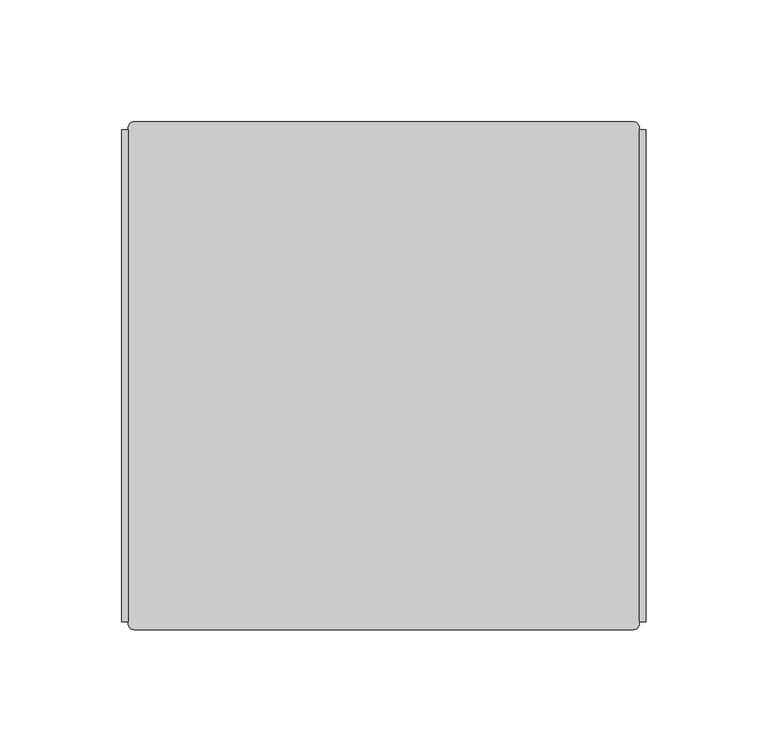
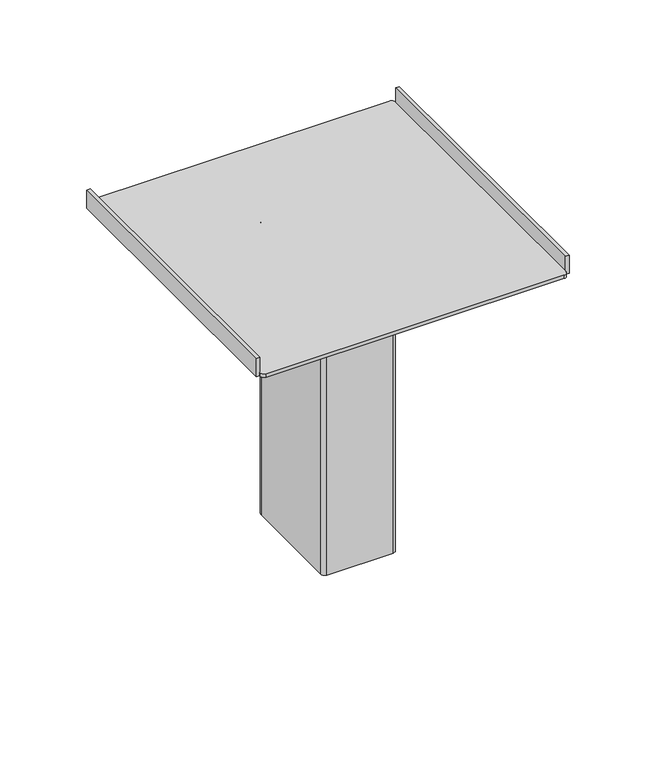
"""IFC4 building model written with IfcOpenShell, lengths in millimetres: furniture geometry."""

import ifcopenshell
import ifcopenshell.guid

model = None  # the IFC model being written
_history = None  # IfcOwnerHistory: only IFC2X3 demands one
_inside = {}  # id of a spatial element -> (the spatial element, [elements in it])
_under = {}  # id of a project, library or spatial element -> (it, [spatial elements below it])
_declared = {}  # id of a project -> (the project, [libraries it declares])
_typed = {}  # id of a type object -> (the type object, [elements of that type])
_made_of = {}  # id of a material, layer set ... -> (it, [elements and type objects made of it])


def new_model(schema):
    """Start an empty IFC model of exactly this schema.

    Asked for "IFC4X3", IfcOpenShell would pick the latest addendum, in which some entities
    have other attributes; the version numbers below select the first issue.
    IFC2X3 requires an IfcOwnerHistory on every rooted entity: one is made here for all.
    """
    global model, _history
    if schema == "IFC4X3":
        model = ifcopenshell.file(schema_version=(4, 3, 0, 0))
    else:
        model = ifcopenshell.file(schema=schema)
    _inside.clear()
    _under.clear()
    _declared.clear()
    _typed.clear()
    _made_of.clear()
    _history = None
    if model.schema == "IFC2X3":
        org = make("IfcOrganization", Name="unknown")
        user = make(
            "IfcPersonAndOrganization",
            ThePerson=make("IfcPerson", FamilyName="unknown"),
            TheOrganization=org,
        )
        app = make(
            "IfcApplication",
            ApplicationDeveloper=org,
            Version="unknown",
            ApplicationFullName="unknown",
            ApplicationIdentifier="unknown",
        )
        _history = make(
            "IfcOwnerHistory",
            OwningUser=user,
            OwningApplication=app,
            ChangeAction="ADDED",
            CreationDate=0,
        )
    return model


def make(cls, **values):
    """One entity of the class cls with the attributes given. An attribute that is None is left unset."""
    return model.create_entity(
        cls, **{name: value for name, value in values.items() if value is not None}
    )


def rooted(cls, **values):
    """An entity with a GlobalId (a new one), such as an element, a storey or a relation."""
    return make(cls, GlobalId=ifcopenshell.guid.new(), OwnerHistory=_history, **values)


def si_unit(unit_type, name, prefix=None):
    """IfcSIUnit, for example si_unit("LENGTHUNIT", "METRE", prefix="MILLI")."""
    return make("IfcSIUnit", UnitType=unit_type, Prefix=prefix, Name=name)


def assignment(units):
    """IfcUnitAssignment: the units of a project."""
    return None if units is None else make("IfcUnitAssignment", Units=units)


def point(xyz):
    """IfcCartesianPoint."""
    return None if xyz is None else make("IfcCartesianPoint", Coordinates=xyz)


def direction(xyz):
    """IfcDirection."""
    return None if xyz is None else make("IfcDirection", DirectionRatios=xyz)


def frame(location, z_axis=None, x_axis=None):
    """IfcAxis2Placement3D, a coordinate frame: its origin and axes. An axis left out is left unset."""
    return make(
        "IfcAxis2Placement3D",
        Location=point(location),
        Axis=direction(z_axis),
        RefDirection=direction(x_axis),
    )


def frame_2d(location, x_axis=None):
    """IfcAxis2Placement2D, a coordinate frame in the plane: its origin and x axis."""
    return make(
        "IfcAxis2Placement2D", Location=point(location), RefDirection=direction(x_axis)
    )


def origin():
    """The frame at (0, 0, 0) with its axes left unset."""
    return frame((0.0, 0.0, 0.0))


def place(relative_to, where):
    """IfcLocalPlacement: puts the frame where relative to a parent placement (None: the world)."""
    return make(
        "IfcLocalPlacement", PlacementRelTo=relative_to, RelativePlacement=where
    )


def context(
    kind, dimensions, precision=None, world=None, true_north=None, identifier=None
):
    """IfcGeometricRepresentationContext, for example the 3D "Model" context."""
    return make(
        "IfcGeometricRepresentationContext",
        ContextIdentifier=identifier,
        ContextType=kind,
        CoordinateSpaceDimension=dimensions,
        Precision=precision,
        WorldCoordinateSystem=world,
        TrueNorth=true_north,
    )


def project(units=None, contexts=None):
    """IfcProject with its units and contexts."""
    return rooted(
        "IfcProject",
        Name="project",
        RepresentationContexts=contexts,
        UnitsInContext=assignment(units),
    )


def spatial(cls, under=None, at=None, **own):
    """A site, building, storey or space (cls), placed at a placement, below another one or the project."""
    s = rooted(cls, ObjectPlacement=at, **own)
    if under is not None:
        _under.setdefault(under.id(), (under, []))[1].append(s)
    return s


def polyline(points):
    """IfcPolyline through the points."""
    return make("IfcPolyline", Points=[point(p) for p in points])


def circle_curve(where, radius):
    """IfcCircle in the frame where."""
    return make("IfcCircle", Position=where, Radius=radius)


def trimmed(basis, trim1, trim2, sense, master):
    """IfcTrimmedCurve: the piece of a basis curve between two trims."""
    return make(
        "IfcTrimmedCurve",
        BasisCurve=basis,
        Trim1=trim1,
        Trim2=trim2,
        SenseAgreement=sense,
        MasterRepresentation=master,
    )


def segment(curve, same_sense, transition):
    """IfcCompositeCurveSegment."""
    return make(
        "IfcCompositeCurveSegment",
        Transition=transition,
        SameSense=same_sense,
        ParentCurve=curve,
    )


def composite_curve(segments, self_intersect=None):
    """IfcCompositeCurve: segments joined end to end."""
    return make("IfcCompositeCurve", Segments=segments, SelfIntersect=self_intersect)


def outline(outer, holes=None, kind="AREA"):
    """IfcArbitraryClosedProfileDef: a profile drawn as a closed curve; with holes, ...WithVoids."""
    if holes is None:
        return make("IfcArbitraryClosedProfileDef", ProfileType=kind, OuterCurve=outer)
    return make(
        "IfcArbitraryProfileDefWithVoids",
        ProfileType=kind,
        OuterCurve=outer,
        InnerCurves=holes,
    )


def extrude(swept, where, along, depth):
    """IfcExtrudedAreaSolid: the profile swept, set in the frame where, extruded along a direction by depth."""
    return make(
        "IfcExtrudedAreaSolid",
        SweptArea=swept,
        Position=where,
        ExtrudedDirection=direction(along),
        Depth=depth,
    )


def shape(context_of_items, identifier, shape_type, items):
    """IfcShapeRepresentation: the items that make up one representation, for example the "Body"."""
    return make(
        "IfcShapeRepresentation",
        ContextOfItems=context_of_items,
        RepresentationIdentifier=identifier,
        RepresentationType=shape_type,
        Items=items,
    )


def source(mapping_origin, context_of_items, identifier, shape_type, items):
    """IfcRepresentationMap: a shape defined once, which mapped items show again and again."""
    return make(
        "IfcRepresentationMap",
        MappingOrigin=mapping_origin,
        MappedRepresentation=shape(context_of_items, identifier, shape_type, items),
    )


def transform(
    local_origin,
    x_axis=None,
    y_axis=None,
    z_axis=None,
    scale=None,
    scale2=None,
    scale3=None,
    uniform=True,
):
    """IfcCartesianTransformationOperator3D, or its non-uniform kind. x_axis, y_axis, z_axis: its Axis1, 2, 3."""
    if uniform:
        return make(
            "IfcCartesianTransformationOperator3D",
            Axis1=direction(x_axis),
            Axis2=direction(y_axis),
            LocalOrigin=point(local_origin),
            Scale=scale,
            Axis3=direction(z_axis),
        )
    return make(
        "IfcCartesianTransformationOperator3DnonUniform",
        Axis1=direction(x_axis),
        Axis2=direction(y_axis),
        LocalOrigin=point(local_origin),
        Scale=scale,
        Axis3=direction(z_axis),
        Scale2=scale2,
        Scale3=scale3,
    )


def mapped(mapping_source, mapping_target):
    """IfcMappedItem: shows the shape of a source again, moved by a transform."""
    return make(
        "IfcMappedItem", MappingSource=mapping_source, MappingTarget=mapping_target
    )


def made_of(thing, what):
    """Note that an element or type object is made of a material, layer set ...; save() writes the relation."""
    if what is not None:
        _made_of.setdefault(what.id(), (what, []))[1].append(thing)
    return thing


def element(
    cls,
    number,
    at=None,
    inside=None,
    cuts=None,
    type_object=None,
    material=None,
    context=None,
    identifier="Body",
    shape_type=None,
    held_by="IfcProductDefinitionShape",
    body=None,
    shapes=None,
    **own,
):
    """One element of the class cls, such as IfcWall. Its Tag is "e" and its number.

    at: its placement. inside: the storey or other place that contains it. cuts: it is an
    opening in that element (IfcRelVoidsElement). A single representation is given by context,
    identifier, shape_type and body (its items); several are given by shapes. held_by: the class
    of the entity that holds the representations. save() writes the other relations.
    """
    e = rooted(cls, Tag="e%d" % number, ObjectPlacement=at, **own)
    if body is not None:
        shapes = [shape(context, identifier, shape_type, body)]
    if shapes is not None:
        e.Representation = make(held_by, Representations=shapes)
    if inside is not None:
        _inside.setdefault(inside.id(), (inside, []))[1].append(e)
    if cuts is not None:
        rooted(
            "IfcRelVoidsElement", RelatingBuildingElement=cuts, RelatedOpeningElement=e
        )
    if type_object is not None:
        _typed.setdefault(type_object.id(), (type_object, []))[1].append(e)
    return made_of(e, material)


def aggregate(whole, parts):
    """IfcRelAggregates: a whole, such as a stair, and the parts it consists of."""
    return rooted("IfcRelAggregates", RelatingObject=whole, RelatedObjects=parts)


def save(model, path):
    """Write the relations noted so far, then the file.

    IfcRelAggregates (storeys below a building ...), IfcRelContainedInSpatialStructure (elements
    in a storey), IfcRelDefinesByType, IfcRelAssociatesMaterial and IfcRelDeclares: one each for
    every whole, place, type object, material and project.
    """
    for whole, parts in _under.values():
        aggregate(whole, parts)
    for where, things in _inside.values():
        rooted(
            "IfcRelContainedInSpatialStructure",
            RelatedElements=things,
            RelatingStructure=where,
        )
    for kind, things in _typed.values():
        rooted("IfcRelDefinesByType", RelatedObjects=things, RelatingType=kind)
    for what, things in _made_of.values():
        rooted("IfcRelAssociatesMaterial", RelatedObjects=things, RelatingMaterial=what)
    for by, libraries in _declared.values():
        rooted("IfcRelDeclares", RelatingContext=by, RelatedDefinitions=libraries)
    model.write(path)


def plane_surface(at):
    """IfcPlane: the flat surface through the origin of the frame at, square to its z axis."""
    return make("IfcPlane", Position=at)


def cylinder_surface(at, radius):
    """IfcCylindricalSurface: all points at the distance radius from the z axis of the frame at."""
    return make("IfcCylindricalSurface", Position=at, Radius=radius)


def advanced_brep(points, edges, surfaces, faces):
    """IfcAdvancedBrep: a solid bounded by faces that lie on surfaces and meet in shared edges.

    An edge is (start, end): straight between two places in points (the first is 0);
    or (start, end, curve); or (start, end, curve, False) where it runs against its curve.
    A face is (place in surfaces, loops), or (place, loops, False) where it looks against
    its surface's normal. A loop lists edges by number (the first is 1), with a minus sign
    where the edge is run from its end to its start. The first loop is the outer one.
    """
    corners = [point(p) for p in points]
    vertices = [make("IfcVertexPoint", VertexGeometry=c) for c in corners]
    made = []
    for start, end, *more in edges:
        made.append(
            make(
                "IfcEdgeCurve",
                EdgeStart=vertices[start],
                EdgeEnd=vertices[end],
                EdgeGeometry=more[0] if more else make("IfcPolyline", Points=[corners[start], corners[end]]),
                SameSense=more[1] if len(more) > 1 else True,
            )
        )
    hull = []
    for where, loops, *sense in faces:
        bounds = []
        for j, loop in enumerate(loops):
            ring = [make("IfcOrientedEdge", EdgeElement=made[abs(k) - 1], Orientation=k > 0) for k in loop]
            bounds.append(
                make(
                    "IfcFaceOuterBound" if j == 0 else "IfcFaceBound",
                    Bound=make("IfcEdgeLoop", EdgeList=ring),
                    Orientation=True,
                )
            )
        hull.append(make("IfcAdvancedFace", Bounds=bounds, FaceSurface=surfaces[where], SameSense=sense[0] if sense else True))
    return make("IfcAdvancedBrep", Outer=make("IfcClosedShell", CfsFaces=hull))


def furniture_5d5eacac(model_context):
    return source(origin(), model_context, "Body", "SolidModel", [
        extrude(outline(composite_curve([segment(trimmed(circle_curve(frame_2d((14.2465328, -49.3434032)), 1.27), [point((15.3463851, -48.7084032))], [point((14.2465328, -50.6134032))], False, "CARTESIAN"), True, "CONTINUOUS"), segment(polyline([(14.2465328, -50.6134032), (0.461719, -50.6134032)]), True, "CONTINUOUS"), segment(trimmed(circle_curve(frame_2d((0.461719, -49.3434032)), 1.27), [point((0.461719, -50.6134032))], [point((-0.6381332, -49.9784032))], False, "CARTESIAN"), True, "CONTINUOUS"), segment(polyline([(-0.6381332, -49.9784032), (-12.8876634, -28.7615956)]), True, "CONTINUOUS"), segment(trimmed(circle_curve(frame_2d((-11.7878111, -28.1265956)), 1.27), [point((-12.8876634, -28.7615956))], [point((-11.7878111, -26.8565956))], False, "CARTESIAN"), True, "CONTINUOUS"), segment(polyline([(-11.7878111, -26.8565956), (1.9970051, -26.8565956)]), True, "CONTINUOUS"), segment(trimmed(circle_curve(frame_2d((1.9970051, -28.1265956)), 1.27), [point((1.9970051, -26.8565956))], [point((3.0968574, -27.4915957))], False, "CARTESIAN"), True, "CONTINUOUS"), segment(polyline([(3.0968574, -27.4915957), (15.3463851, -48.7084032)]), True, "CONTINUOUS")], self_intersect=False)), frame((0.0, 0.0, 552.45), z_axis=(0.0, 0.0, 1.0), x_axis=(1.0, 0.0, 0.0)), (0.0, 0.0, 1.0), 6.3500121),
        extrude(outline(composite_curve([segment(trimmed(circle_curve(frame_2d((1.2293616, -38.7350004)), 3.9687492), [point((1.2293616, -34.7662512))], [point((1.2293616, -42.7037496))], False, "CARTESIAN"), True, "CONTINUOUS"), segment(trimmed(circle_curve(frame_2d((1.2293616, -38.7350004)), 3.9687492), [point((1.2293616, -42.7037496))], [point((1.2293616, -34.7662512))], False, "CARTESIAN"), True, "CONTINUOUS")], self_intersect=False)), frame((0.0, 0.0, 558.8000121), z_axis=(0.0, 0.0, 1.0), x_axis=(1.0, 0.0, 0.0)), (0.0, 0.0, 1.0), 3.1749879),
        advanced_brep(
        [(-101.2345342, 65.4235638, 773.811), (103.6932504, 65.4235638, 773.811), (106.2332504, 62.8835638, 773.811), (106.2332504, 62.2485623, 773.811), (108.773248, 62.2485623, 773.811), (108.773248, -139.706834, 773.811), (106.2332504, -139.706834, 773.811), (106.2332504, -140.3418401, 773.811), (103.6932504, -142.8818401, 773.811), (-101.2345342, -142.8818401, 773.811), (-103.7745342, -140.3418401, 773.811), (-103.7745342, -139.706834, 773.811), (-106.3145318, -139.706834, 773.811), (-106.3145318, 62.2485623, 773.811), (-103.7745342, 62.2485623, 773.811), (-103.7745342, 62.8835638, 773.811), (-101.2345342, 65.4235638, 776.3510136), (-103.7745342, 62.8835638, 776.3510136), (-103.7745342, 62.2485623, 776.3510136), (-103.7745342, -139.706834, 776.3510136), (-103.7745342, -140.3418401, 776.3510136), (-101.2345342, -142.8818401, 776.3510136), (103.6932504, -142.8818401, 776.3510136), (106.2332504, -140.3418401, 776.3510136), (106.2332504, -139.706834, 776.3510136), (106.2332504, 62.2485623, 776.3510136), (106.2332504, 62.8835638, 776.3510136), (103.6932504, 65.4235638, 776.3510136), (108.773248, -139.706834, 787.0189671), (106.2332504, -139.706834, 787.0189671), (-106.3145318, -139.706834, 787.0189671), (-103.7745342, -139.706834, 787.0189671), (-106.3145318, 62.2485623, 787.0189671), (-103.7745342, 62.2485623, 787.0189671), (106.2332504, 62.2485623, 787.0189671), (108.773248, 62.2485623, 787.0189671)],
        [
            (0, 1),
            (1, 2, circle_curve(frame((103.6932504, 62.8835638, 773.811), z_axis=(0.0, 0.0, -1.0), x_axis=(0.0, -1.0, 0.0)), 2.54)),
            (2, 3),
            (3, 4),
            (4, 5),
            (5, 6),
            (6, 7),
            (7, 8, circle_curve(frame((103.6932504, -140.3418401, 773.811), z_axis=(0.0, 0.0, -1.0), x_axis=(0.0, -1.0, 0.0)), 2.54)),
            (8, 9),
            (9, 10, circle_curve(frame((-101.2345342, -140.3418401, 773.811), z_axis=(0.0, 0.0, -1.0), x_axis=(0.0, -1.0, 0.0)), 2.54)),
            (10, 11),
            (11, 12),
            (12, 13),
            (13, 14),
            (14, 15),
            (15, 0, circle_curve(frame((-101.2345342, 62.8835638, 773.811), z_axis=(0.0, 0.0, -1.0), x_axis=(0.0, -1.0, 0.0)), 2.54)),
            (16, 17, circle_curve(frame((-101.2345342, 62.8835638, 776.3510136), z_axis=(0.0, 0.0, 1.0), x_axis=(0.0, -1.0, 0.0)), 2.54)),
            (17, 18),
            (18, 19),
            (19, 20),
            (20, 21, circle_curve(frame((-101.2345342, -140.3418401, 776.3510136), z_axis=(0.0, 0.0, 1.0), x_axis=(0.0, -1.0, 0.0)), 2.54)),
            (21, 22),
            (22, 23, circle_curve(frame((103.6932504, -140.3418401, 776.3510136), z_axis=(0.0, 0.0, 1.0), x_axis=(0.0, -1.0, 0.0)), 2.54)),
            (23, 24),
            (24, 25),
            (25, 26),
            (26, 27, circle_curve(frame((103.6932504, 62.8835638, 776.3510136), z_axis=(0.0, 0.0, 1.0), x_axis=(0.0, -1.0, 0.0)), 2.54)),
            (27, 16),
            (0, 16),
            (27, 1),
            (26, 2),
            (25, 3),
            (23, 7),
            (6, 24),
            (22, 8),
            (21, 9),
            (20, 10),
            (19, 11),
            (17, 15),
            (14, 18),
            (5, 28),
            (28, 29),
            (29, 24),
            (30, 12),
            (19, 31),
            (31, 30),
            (32, 33),
            (33, 18),
            (13, 32),
            (34, 35),
            (35, 4),
            (25, 34),
            (30, 32),
            (33, 31),
            (29, 34),
            (35, 28),
        ],
        [
            plane_surface(frame((103.0582534, 65.4235638, 773.811), z_axis=(0.0, 0.0, -1.0), x_axis=(1.0, 0.0, 0.0))),
            plane_surface(frame((103.0582534, 65.4235638, 776.3510136), z_axis=(0.0, 0.0, 1.0), x_axis=(-1.0, 0.0, 0.0))),
            plane_surface(frame((-101.2345342, 65.4235638, 773.811), z_axis=(0.0, 1.0, 0.0), x_axis=(0.0, 0.0, 1.0))),
            cylinder_surface(frame((103.6932504, 62.8835638, 776.3510136), z_axis=(0.0, 0.0, -1.0), x_axis=(0.0, -1.0, 0.0)), 2.54),
            plane_surface(frame((106.2332504, 62.8835638, 773.811), z_axis=(1.0, 0.0, 0.0), x_axis=(0.0, 0.0, 1.0))),
            cylinder_surface(frame((103.6932504, -140.3418401, 776.3510136), z_axis=(0.0, 0.0, -1.0), x_axis=(0.0, -1.0, 0.0)), 2.54),
            plane_surface(frame((103.6932504, -142.8818401, 773.811), z_axis=(0.0, -1.0, 0.0), x_axis=(0.0, 0.0, 1.0))),
            cylinder_surface(frame((-101.2345342, -140.3418401, 776.3510136), z_axis=(0.0, 0.0, -1.0), x_axis=(0.0, -1.0, 0.0)), 2.54),
            plane_surface(frame((-103.7745342, -140.3418401, 773.811), z_axis=(-1.0, 0.0, 0.0), x_axis=(0.0, 0.0, 1.0))),
            cylinder_surface(frame((-101.2345342, 62.8835638, 776.3510136), z_axis=(0.0, 0.0, -1.0), x_axis=(0.0, -1.0, 0.0)), 2.54),
            plane_surface(frame((-106.3145318, -139.706834, 787.0189671), z_axis=(0.0, -1.0, 0.0), x_axis=(0.0, 0.0, -1.0))),
            plane_surface(frame((-106.3145318, 62.2485623, 787.0189671), z_axis=(0.0, 1.0, 0.0), x_axis=(0.0, 0.0, 1.0))),
            plane_surface(frame((-106.3145318, -139.706834, 787.0189671), z_axis=(-1.0, 0.0, 0.0), x_axis=(0.0, 1.0, 0.0))),
            plane_surface(frame((-103.7745342, -139.706834, 773.811), z_axis=(1.0, 0.0, 0.0), x_axis=(0.0, 1.0, 0.0))),
            plane_surface(frame((-103.7745342, -139.706834, 787.0189671), z_axis=(0.0, 0.0, 1.0), x_axis=(0.0, 1.0, 0.0))),
            plane_surface(frame((106.2332504, -139.706834, 787.0189671), z_axis=(-1.0, 0.0, 0.0), x_axis=(0.0, 1.0, 0.0))),
            plane_surface(frame((108.773248, -139.706834, 773.811), z_axis=(1.0, 0.0, 0.0), x_axis=(0.0, 1.0, 0.0))),
            plane_surface(frame((108.773248, -139.706834, 787.0189671), z_axis=(0.0, 0.0, 1.0), x_axis=(0.0, 1.0, 0.0))),
        ],
        [
            (0, [[1, 2, 3, 4, 5, 6, 7, 8, 9, 10, 11, 12, 13, 14, 15, 16]]),
            (1, [[17, 18, 19, 20, 21, 22, 23, 24, 25, 26, 27, 28]]),
            (2, [[-1, 29, -28, 30]]),
            (3, [[-2, -30, -27, 31]]),
            (4, [[-31, -26, 32, -3]]),
            (4, [[33, -7, 34, -24]]),
            (5, [[-8, -33, -23, 35]]),
            (6, [[-9, -35, -22, 36]]),
            (7, [[-10, -36, -21, 37]]),
            (8, [[-37, -20, 38, -11]]),
            (8, [[39, -15, 40, -18]]),
            (9, [[-16, -39, -17, -29]]),
            (10, [[-6, 41, 42, 43, -34]]),
            (10, [[44, -12, -38, 45, 46]]),
            (11, [[47, 48, -40, -14, 49]]),
            (11, [[50, 51, -4, -32, 52]]),
            (12, [[-44, 53, -49, -13]]),
            (13, [[54, -45, -19, -48]]),
            (14, [[-46, -54, -47, -53]]),
            (15, [[55, -52, -25, -43]]),
            (16, [[-41, -5, -51, 56]]),
            (17, [[-42, -56, -50, -55]]),
        ],
    ),
        extrude(outline(composite_curve([segment(trimmed(circle_curve(frame_2d((-21.6306404, -3.175)), 2.54), [point((-24.1706404, -3.175))], [point((-21.6306404, -0.635))], False, "CARTESIAN"), True, "CONTINUOUS"), segment(polyline([(-21.6306404, -0.635), (24.0893611, -0.635)]), True, "CONTINUOUS"), segment(trimmed(circle_curve(frame_2d((24.0893611, -3.175)), 2.54), [point((24.0893611, -0.635))], [point((26.6293611, -3.175))], False, "CARTESIAN"), True, "CONTINUOUS"), segment(polyline([(26.6293611, -3.175), (26.6293611, -74.2949994)]), True, "CONTINUOUS"), segment(trimmed(circle_curve(frame_2d((24.0893611, -74.2949994)), 2.54), [point((26.6293611, -74.2949994))], [point((24.0893611, -76.8349994))], False, "CARTESIAN"), True, "CONTINUOUS"), segment(polyline([(24.0893611, -76.8349994), (-21.6306404, -76.8349994)]), True, "CONTINUOUS"), segment(trimmed(circle_curve(frame_2d((-21.6306404, -74.2949994)), 2.54), [point((-21.6306404, -76.8349994))], [point((-24.1706404, -74.2949994))], False, "CARTESIAN"), True, "CONTINUOUS"), segment(polyline([(-24.1706404, -74.2949994), (-24.1706404, -3.175)]), True, "CONTINUOUS")], self_intersect=False)), frame((0.0, 0.0, 561.975), z_axis=(0.0, 0.0, 1.0), x_axis=(1.0, 0.0, 0.0)), (0.0, 0.0, 1.0), 211.836),
    ])


if __name__ == "__main__":
    model = new_model("IFC4")
    model_context = context("Model", 3, world=origin())
    ifc_project = project(units=[si_unit("LENGTHUNIT", "METRE", prefix="MILLI")], contexts=[model_context])
    site = spatial("IfcSite", under=ifc_project)
    building = spatial("IfcBuilding", under=site)
    placement = place(None, origin())
    furniture_shape = furniture_5d5eacac(model_context)
    element("IfcFurniture", 1, at=placement, inside=building, context=model_context, shape_type="MappedRepresentation", body=[
        mapped(furniture_shape, transform((0.0, 0.0, 0.0), x_axis=(1.0, 0.0, 0.0), y_axis=(0.0, 1.0, 0.0), z_axis=(0.0, 0.0, 1.0))),
    ])
    save(model, "model.ifc")
